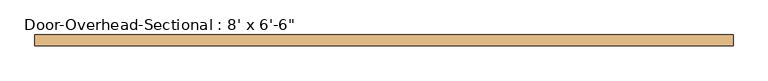
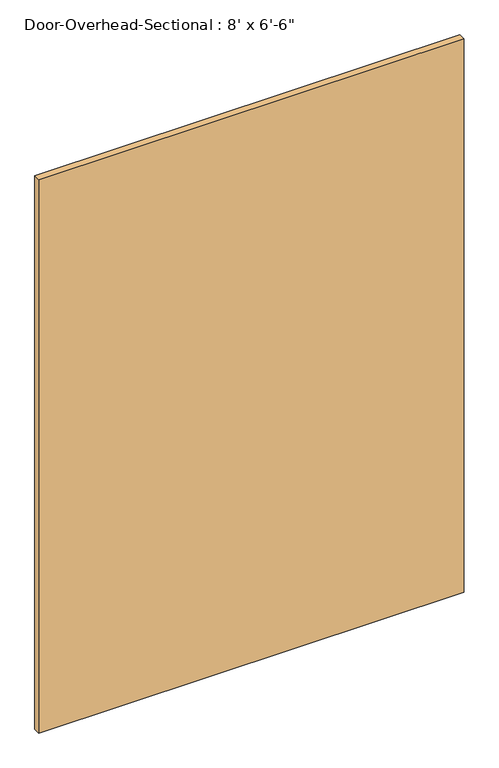
"""IFC4 building model written with IfcOpenShell, lengths in millimetres: door geometry."""

from ifc_helpers import new_model, si_unit, origin, origin_with_axes, place, context, project, spatial, polyline, outline, extrude, source, transform, mapped, element, save


def door_a5be973b(model_context):
    return source(origin(), model_context, "Body", "SweptSolid", [
        extrude(outline(polyline([(1219.2, -76.2), (1219.2, -114.3), (-1219.2, -114.3), (-1219.2, -76.2), (1219.2, -76.2)])), origin_with_axes(), (0.0, 0.0, 1.0), 3352.8),
    ])


if __name__ == "__main__":
    model = new_model("IFC4")
    model_context = context("Model", 3, world=origin())
    ifc_project = project(units=[si_unit("LENGTHUNIT", "METRE", prefix="MILLI")], contexts=[model_context])
    site = spatial("IfcSite", under=ifc_project)
    building = spatial("IfcBuilding", under=site)
    placement = place(None, origin())
    door_shape = door_a5be973b(model_context)
    element("IfcDoor", 1, ObjectType="Door-Overhead-Sectional : 8' x 6'-6\"", at=placement, inside=building, context=model_context, shape_type="MappedRepresentation", body=[
        mapped(door_shape, transform((0.0, 0.0, 0.0), x_axis=(1.0, 0.0, 0.0), y_axis=(0.0, 1.0, 0.0), z_axis=(0.0, 0.0, 1.0))),
    ])
    save(model, "model.ifc")
